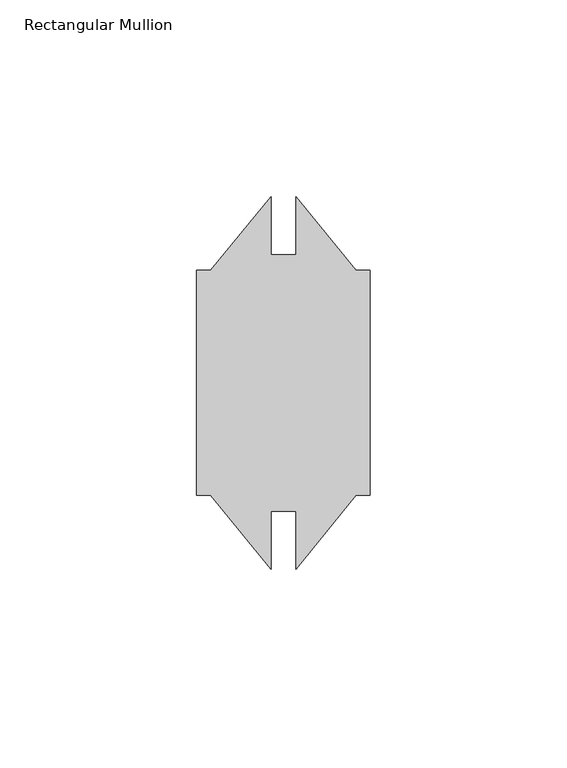
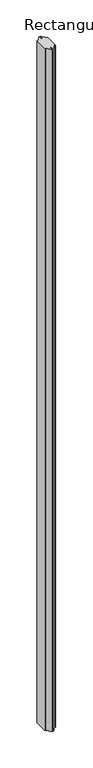
"""IFC4 building model written with IfcOpenShell, lengths in millimetres: member geometry, Rectangular Mullion."""

from ifc_helpers import new_model, si_unit, frame, origin, place, context, project, spatial, polyline, outline, extrude, source, transform, mapped, element, save


def rectangular_mullion_4deea51f(model_context):
    return source(origin(), model_context, "Body", "SweptSolid", [
        extrude(outline(polyline([(-44.069, 28.575), (-40.553336, 28.575), (-25.2090906, 47.2771291), (-25.2090906, 32.5374), (-18.8594213, 32.5374), (-18.8594213, 47.2765342), (-3.515664, 28.575), (0.0, 28.575), (0.0, -28.575), (-3.515664, -28.575), (-18.8593738, -47.2764763), (-18.8593738, -32.5374), (-25.2093195, -32.5374), (-25.2093195, -47.2768502), (-40.553336, -28.575), (-44.069, -28.575), (-44.069, 28.575)])), frame((0.0, 0.0, -3048.0), z_axis=(0.0, 0.0, 1.0), x_axis=(1.0, 0.0, 0.0)), (0.0, 0.0, 1.0), 3048.0),
    ])


if __name__ == "__main__":
    model = new_model("IFC4")
    model_context = context("Model", 3, world=origin())
    ifc_project = project(units=[si_unit("LENGTHUNIT", "METRE", prefix="MILLI")], contexts=[model_context])
    site = spatial("IfcSite", under=ifc_project)
    building = spatial("IfcBuilding", under=site)
    placement = place(None, origin())
    rectangular_mullion_shape = rectangular_mullion_4deea51f(model_context)
    element("IfcMember", 1, ObjectType="Rectangular Mullion", at=placement, inside=building, context=model_context, shape_type="MappedRepresentation", body=[
        mapped(rectangular_mullion_shape, transform((0.0, 0.0, 0.0), x_axis=(1.0, 0.0, 0.0), y_axis=(0.0, 1.0, 0.0), z_axis=(0.0, 0.0, 1.0))),
    ])
    save(model, "model.ifc")
